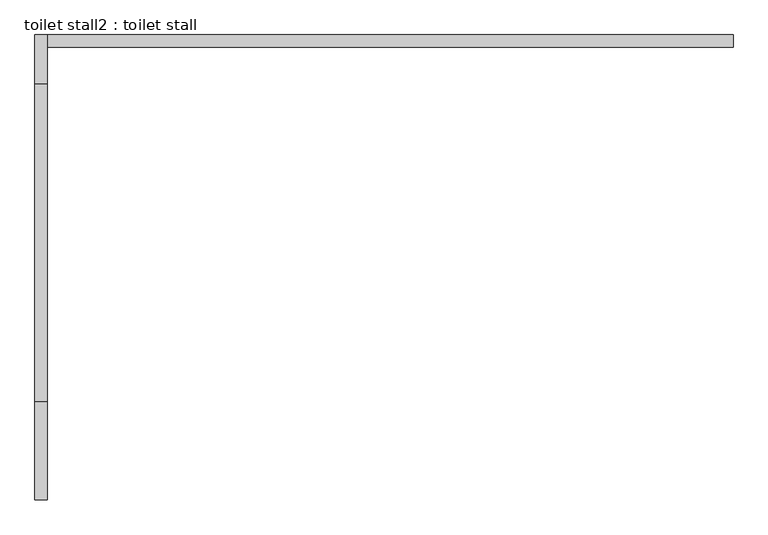
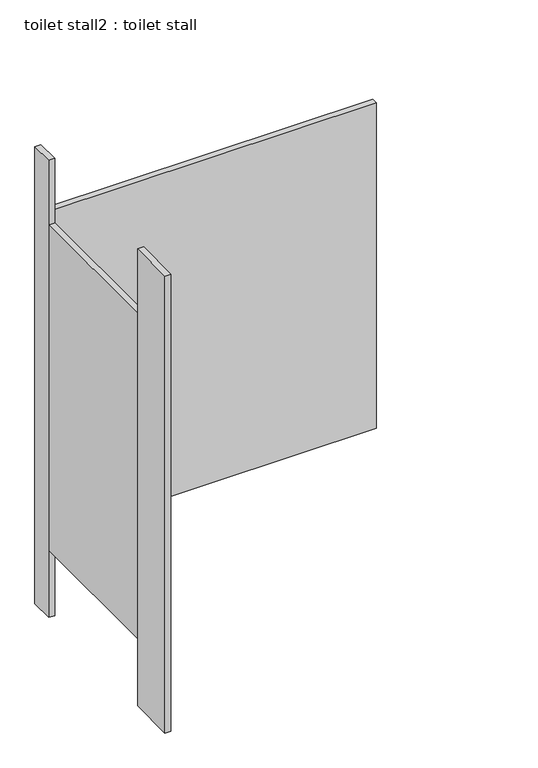
"""IFC4 building model written with IfcOpenShell, lengths in millimetres: proxy geometry, toilet stall2 : toilet stall."""

from ifc_helpers import new_model, si_unit, frame, origin, origin_with_axes, place, context, project, spatial, polyline, outline, extrude, source, transform, mapped, element, save


def toilet_stall2_toilet_stall_b69ddd04(model_context):
    return source(origin(), model_context, "Body", "SweptSolid", [
        extrude(outline(polyline([(457706.2004676, -328241.8330223), (457706.2004676, -328445.0330223), (457680.8004676, -328445.0330223), (457680.8004676, -328241.8330223), (457706.2004676, -328241.8330223)])), origin_with_axes(), (0.0, 0.0, 1.0), 2070.1),
        extrude(outline(polyline([(457706.2004676, -327479.8330223), (457706.2004676, -327581.4330223), (457680.8004676, -327581.4330223), (457680.8004676, -327479.8330223), (457706.2004676, -327479.8330223)])), origin_with_axes(), (0.0, 0.0, 1.0), 2070.1),
        extrude(outline(polyline([(457706.2004676, -327479.8330223), (459128.6004676, -327479.8330223), (459128.6004676, -327505.2330223), (457706.2004676, -327505.2330223), (457706.2004676, -327479.8330223)])), frame((0.0, 0.0, 304.8), z_axis=(0.0, 0.0, 1.0), x_axis=(1.0, 0.0, 0.0)), (0.0, 0.0, 1.0), 1473.2),
        extrude(outline(polyline([(457706.2004676, -327581.4330223), (457706.2004676, -328241.8330223), (457680.8004676, -328241.8330223), (457680.8004676, -327581.4330223), (457706.2004676, -327581.4330223)])), frame((0.0, 0.0, 304.8), z_axis=(0.0, 0.0, 1.0), x_axis=(1.0, 0.0, 0.0)), (0.0, 0.0, 1.0), 1473.2),
    ])


if __name__ == "__main__":
    model = new_model("IFC4")
    model_context = context("Model", 3, world=origin())
    ifc_project = project(units=[si_unit("LENGTHUNIT", "METRE", prefix="MILLI")], contexts=[model_context])
    site = spatial("IfcSite", under=ifc_project)
    building = spatial("IfcBuilding", under=site)
    placement = place(None, origin())
    toilet_stall2_toilet_stall_shape = toilet_stall2_toilet_stall_b69ddd04(model_context)
    element("IfcBuildingElementProxy", 1, Name="toilet stall2 : toilet stall", ObjectType="toilet stall2 : toilet stall", at=placement, inside=building, context=model_context, shape_type="MappedRepresentation", body=[
        mapped(toilet_stall2_toilet_stall_shape, transform((0.0, 0.0, 0.0), x_axis=(1.0, 0.0, 0.0), y_axis=(0.0, 1.0, 0.0), z_axis=(0.0, 0.0, 1.0))),
    ])
    save(model, "model.ifc")
